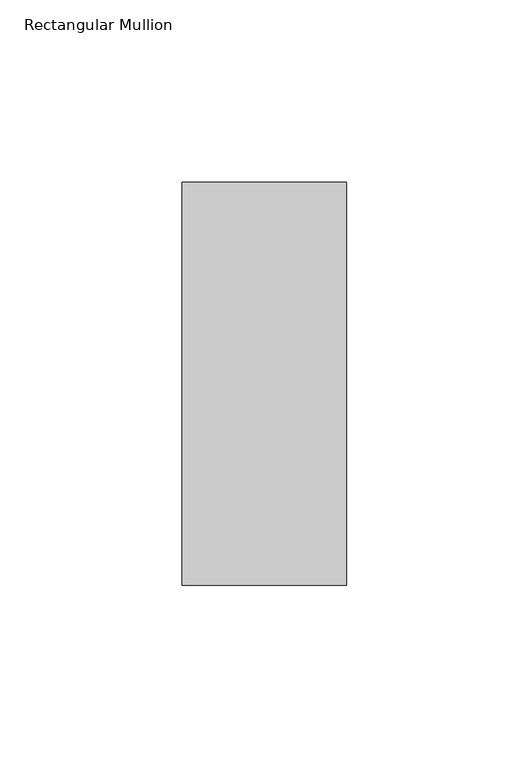
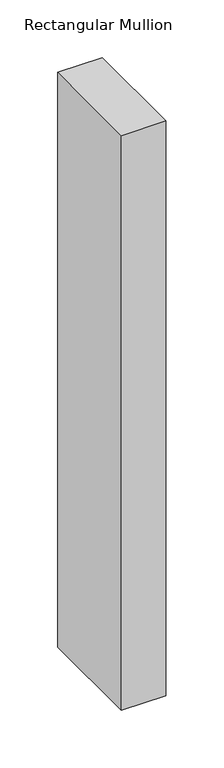
"""IFC4 building model written with IfcOpenShell, lengths in millimetres: member geometry, Rectangular Mullion."""

from ifc_helpers import new_model, si_unit, frame, origin, place, context, project, spatial, polyline, outline, extrude, source, transform, mapped, element, save


def rectangular_mullion_92038845(model_context):
    return source(origin(), model_context, "Body", "SweptSolid", [
        extrude(outline(polyline([(-45.0, -70.7), (-45.0, 39.7), (0.0, 39.7), (0.0, -70.7), (-45.0, -70.7)])), frame((0.0, 0.0, -609.6), z_axis=(0.0, 0.0, 1.0), x_axis=(1.0, 0.0, 0.0)), (0.0, 0.0, 1.0), 609.6),
    ])


if __name__ == "__main__":
    model = new_model("IFC4")
    model_context = context("Model", 3, world=origin())
    ifc_project = project(units=[si_unit("LENGTHUNIT", "METRE", prefix="MILLI")], contexts=[model_context])
    site = spatial("IfcSite", under=ifc_project)
    building = spatial("IfcBuilding", under=site)
    placement = place(None, origin())
    rectangular_mullion_shape = rectangular_mullion_92038845(model_context)
    element("IfcMember", 1, ObjectType="Rectangular Mullion", at=placement, inside=building, context=model_context, shape_type="MappedRepresentation", body=[
        mapped(rectangular_mullion_shape, transform((0.0, 0.0, 0.0), x_axis=(1.0, 0.0, 0.0), y_axis=(0.0, 1.0, 0.0), z_axis=(0.0, 0.0, 1.0))),
    ])
    save(model, "model.ifc")
